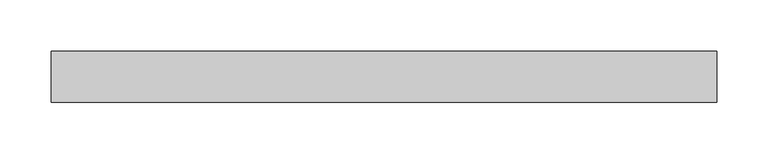
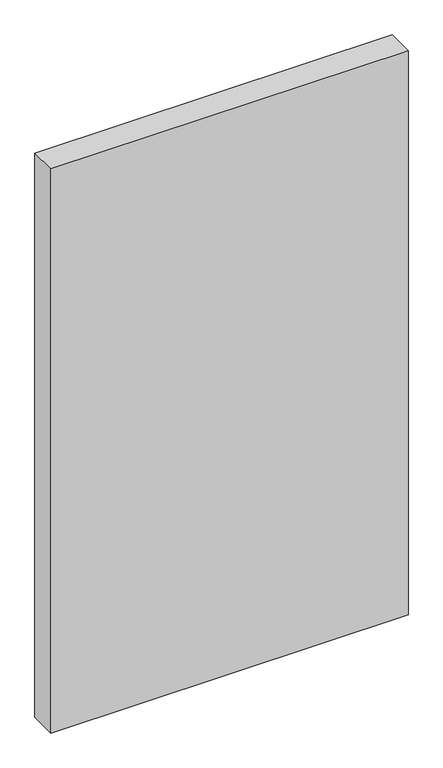
"""IFC4 building model written with IfcOpenShell, lengths in millimetres: plate geometry."""

from ifc_helpers import new_model, si_unit, origin, origin_with_axes, place, context, project, spatial, polyline, outline, extrude, source, transform, mapped, element, save


def plate_4ed42cca(model_context):
    return source(origin(), model_context, "Body", "SweptSolid", [
        extrude(outline(polyline([(325.0, -25.0), (-325.0, -25.0), (-325.0, 25.0), (325.0, 25.0), (325.0, -25.0)])), origin_with_axes(), (0.0, 0.0, 1.0), 1085.0),
    ])


if __name__ == "__main__":
    model = new_model("IFC4")
    model_context = context("Model", 3, world=origin())
    ifc_project = project(units=[si_unit("LENGTHUNIT", "METRE", prefix="MILLI")], contexts=[model_context])
    site = spatial("IfcSite", under=ifc_project)
    building = spatial("IfcBuilding", under=site)
    placement = place(None, origin())
    plate_shape = plate_4ed42cca(model_context)
    element("IfcPlate", 1, at=placement, inside=building, context=model_context, shape_type="MappedRepresentation", body=[
        mapped(plate_shape, transform((0.0, 0.0, 0.0), x_axis=(1.0, 0.0, 0.0), y_axis=(0.0, 1.0, 0.0), z_axis=(0.0, 0.0, 1.0))),
    ])
    save(model, "model.ifc")
